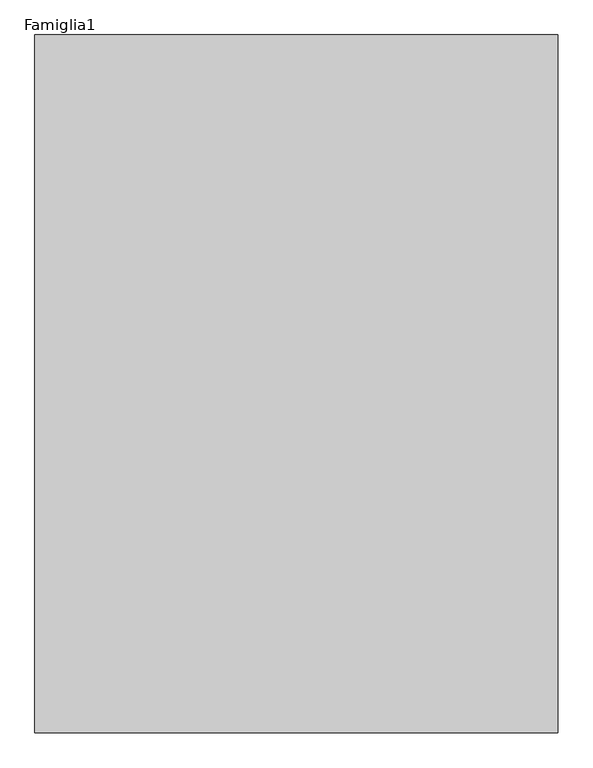
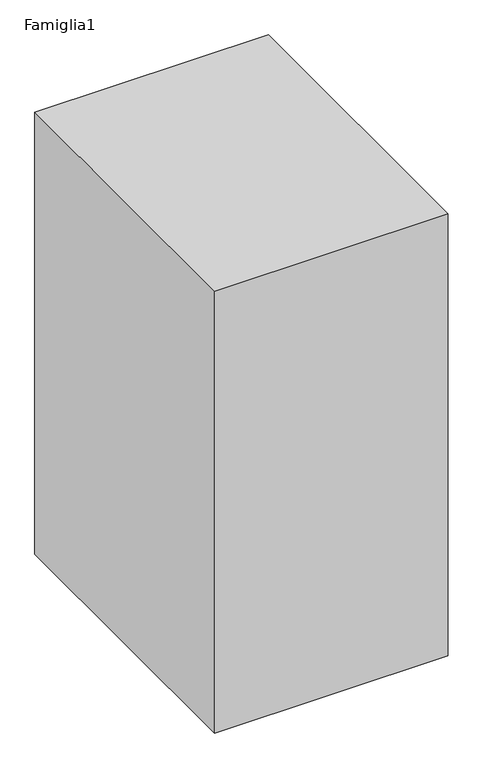
"""IFC4 building model written with IfcOpenShell, lengths in millimetres: proxy geometry, Famiglia1."""

from ifc_helpers import new_model, si_unit, origin, origin_with_axes, place, context, project, spatial, polyline, outline, extrude, source, transform, mapped, element, save


def famiglia1_7ca6862e(model_context):
    return source(origin(), model_context, "Body", "SweptSolid", [
        extrude(outline(polyline([(6000.0, 8000.0), (6000.0, 0.0), (0.0, 0.0), (0.0, 8000.0), (6000.0, 8000.0)])), origin_with_axes(), (0.0, 0.0, 1.0), 12000.0),
    ])


if __name__ == "__main__":
    model = new_model("IFC4")
    model_context = context("Model", 3, world=origin())
    ifc_project = project(units=[si_unit("LENGTHUNIT", "METRE", prefix="MILLI")], contexts=[model_context])
    site = spatial("IfcSite", under=ifc_project)
    building = spatial("IfcBuilding", under=site)
    placement = place(None, origin())
    famiglia1_shape = famiglia1_7ca6862e(model_context)
    element("IfcBuildingElementProxy", 1, Name="Famiglia1", ObjectType="Famiglia1", at=placement, inside=building, context=model_context, shape_type="MappedRepresentation", body=[
        mapped(famiglia1_shape, transform((0.0, 0.0, 0.0), x_axis=(1.0, 0.0, 0.0), y_axis=(0.0, 1.0, 0.0), z_axis=(0.0, 0.0, 1.0))),
    ])
    save(model, "model.ifc")
